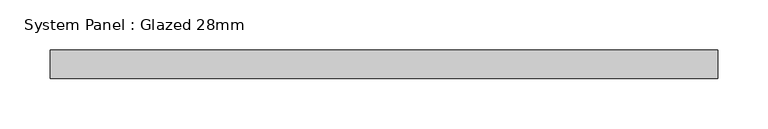
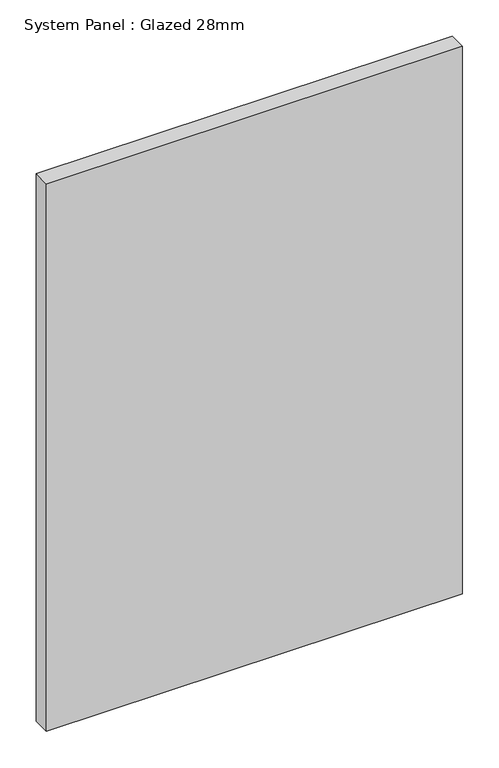
"""IFC4 building model written with IfcOpenShell, lengths in millimetres: plate geometry, System Panel : Glazed 28mm."""

from ifc_helpers import new_model, si_unit, origin, origin_with_axes, place, context, project, spatial, polyline, outline, extrude, source, transform, mapped, element, save


def system_panel_glazed_28mm_bb33f1a3(model_context):
    return source(origin(), model_context, "Body", "SweptSolid", [
        extrude(outline(polyline([(330.5586576, -14.0), (-330.5586576, -14.0), (-330.5586576, 14.0), (330.5586576, 14.0), (330.5586576, -14.0)])), origin_with_axes(), (0.0, 0.0, 1.0), 920.6595328),
    ])


if __name__ == "__main__":
    model = new_model("IFC4")
    model_context = context("Model", 3, world=origin())
    ifc_project = project(units=[si_unit("LENGTHUNIT", "METRE", prefix="MILLI")], contexts=[model_context])
    site = spatial("IfcSite", under=ifc_project)
    building = spatial("IfcBuilding", under=site)
    placement = place(None, origin())
    system_panel_glazed_28mm_shape = system_panel_glazed_28mm_bb33f1a3(model_context)
    element("IfcPlate", 1, ObjectType="System Panel : Glazed 28mm", at=placement, inside=building, context=model_context, shape_type="MappedRepresentation", body=[
        mapped(system_panel_glazed_28mm_shape, transform((0.0, 0.0, 0.0), x_axis=(1.0, 0.0, 0.0), y_axis=(0.0, 1.0, 0.0), z_axis=(0.0, 0.0, 1.0))),
    ])
    save(model, "model.ifc")
